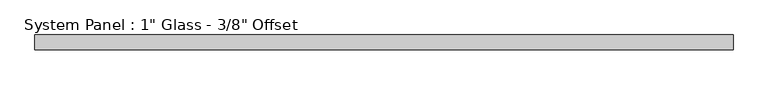
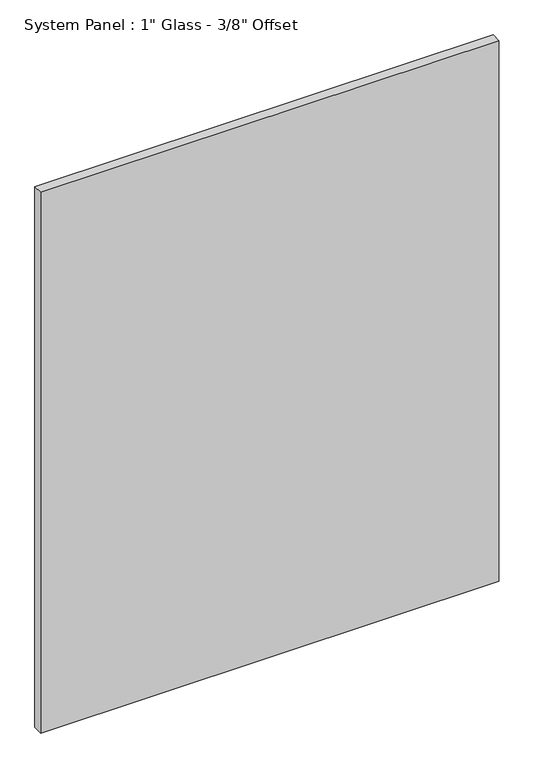
"""IFC4 building model written with IfcOpenShell, lengths in millimetres: plate geometry."""

from ifc_helpers import new_model, si_unit, origin, origin_with_axes, place, context, project, spatial, polyline, outline, extrude, source, transform, mapped, element, save


def plate_e96994af(model_context):
    return source(origin(), model_context, "Body", "SweptSolid", [
        extrude(outline(polyline([(590.55, -3.175), (-590.55, -3.175), (-590.55, 22.225), (590.55, 22.225), (590.55, -3.175)])), origin_with_axes(), (0.0, 0.0, 1.0), 1473.2),
    ])


if __name__ == "__main__":
    model = new_model("IFC4")
    model_context = context("Model", 3, world=origin())
    ifc_project = project(units=[si_unit("LENGTHUNIT", "METRE", prefix="MILLI")], contexts=[model_context])
    site = spatial("IfcSite", under=ifc_project)
    building = spatial("IfcBuilding", under=site)
    placement = place(None, origin())
    plate_shape = plate_e96994af(model_context)
    element("IfcPlate", 1, ObjectType="System Panel : 1\" Glass - 3/8\" Offset", at=placement, inside=building, context=model_context, shape_type="MappedRepresentation", body=[
        mapped(plate_shape, transform((0.0, 0.0, 0.0), x_axis=(1.0, 0.0, 0.0), y_axis=(0.0, 1.0, 0.0), z_axis=(0.0, 0.0, 1.0))),
    ])
    save(model, "model.ifc")
